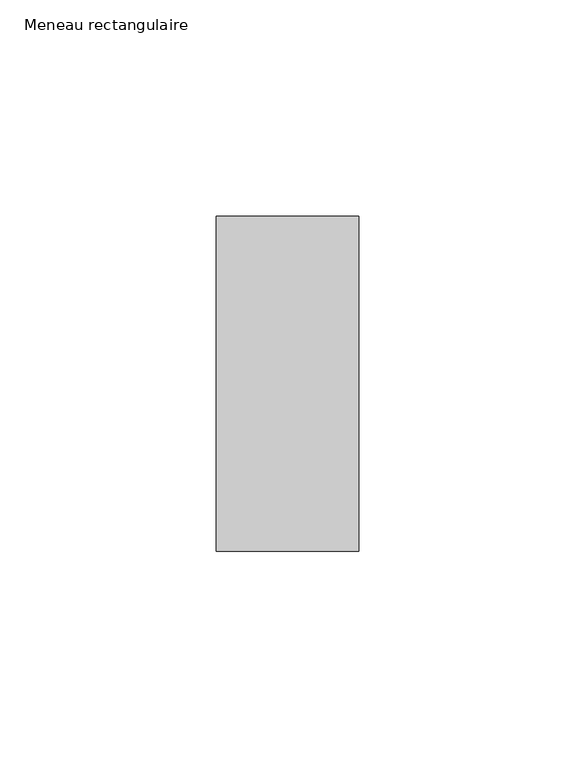
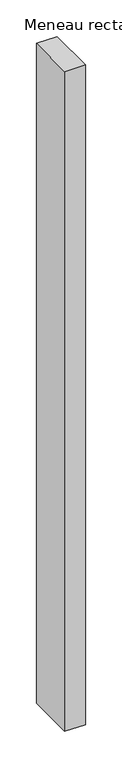
"""IFC4 building model written with IfcOpenShell, lengths in millimetres: member geometry, Meneau rectangulaire."""

from ifc_helpers import new_model, si_unit, frame, origin, place, context, project, spatial, polyline, outline, extrude, source, transform, mapped, element, save


def meneau_rectangulaire_168cfabb(model_context):
    return source(origin(), model_context, "Body", "SweptSolid", [
        extrude(outline(polyline([(0.0, 38.75), (0.0, -38.75), (-33.0, -38.75), (-33.0, 38.75), (0.0, 38.75)])), frame((0.0, 0.0, -1102.2500002), z_axis=(0.0, 0.0, 1.0), x_axis=(1.0, 0.0, 0.0)), (0.0, 0.0, 1.0), 1102.2500002),
    ])


if __name__ == "__main__":
    model = new_model("IFC4")
    model_context = context("Model", 3, world=origin())
    ifc_project = project(units=[si_unit("LENGTHUNIT", "METRE", prefix="MILLI")], contexts=[model_context])
    site = spatial("IfcSite", under=ifc_project)
    building = spatial("IfcBuilding", under=site)
    placement = place(None, origin())
    meneau_rectangulaire_shape = meneau_rectangulaire_168cfabb(model_context)
    element("IfcMember", 1, ObjectType="Meneau rectangulaire", at=placement, inside=building, context=model_context, shape_type="MappedRepresentation", body=[
        mapped(meneau_rectangulaire_shape, transform((0.0, 0.0, 0.0), x_axis=(1.0, 0.0, 0.0), y_axis=(0.0, 1.0, 0.0), z_axis=(0.0, 0.0, 1.0))),
    ])
    save(model, "model.ifc")
